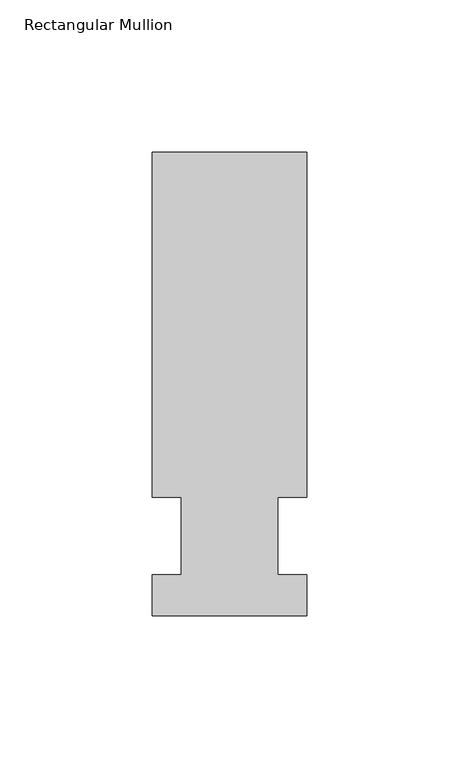
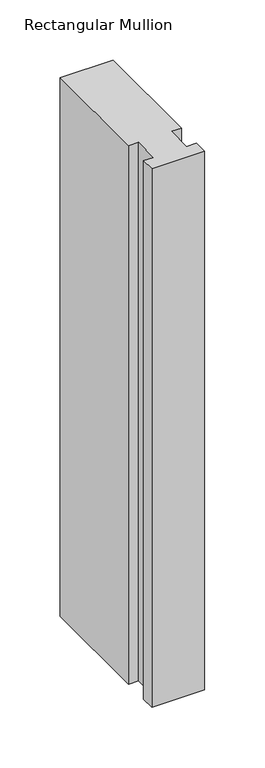
"""IFC4 building model written with IfcOpenShell, lengths in millimetres: member geometry, Rectangular Mullion."""

import ifcopenshell
import ifcopenshell.guid

model = None  # the IFC model being written
_history = None  # IfcOwnerHistory: only IFC2X3 demands one
_inside = {}  # id of a spatial element -> (the spatial element, [elements in it])
_under = {}  # id of a project, library or spatial element -> (it, [spatial elements below it])
_declared = {}  # id of a project -> (the project, [libraries it declares])
_typed = {}  # id of a type object -> (the type object, [elements of that type])
_made_of = {}  # id of a material, layer set ... -> (it, [elements and type objects made of it])


def new_model(schema):
    """Start an empty IFC model of exactly this schema.

    Asked for "IFC4X3", IfcOpenShell would pick the latest addendum, in which some entities
    have other attributes; the version numbers below select the first issue.
    IFC2X3 requires an IfcOwnerHistory on every rooted entity: one is made here for all.
    """
    global model, _history
    if schema == "IFC4X3":
        model = ifcopenshell.file(schema_version=(4, 3, 0, 0))
    else:
        model = ifcopenshell.file(schema=schema)
    _inside.clear()
    _under.clear()
    _declared.clear()
    _typed.clear()
    _made_of.clear()
    _history = None
    if model.schema == "IFC2X3":
        org = make("IfcOrganization", Name="unknown")
        user = make(
            "IfcPersonAndOrganization",
            ThePerson=make("IfcPerson", FamilyName="unknown"),
            TheOrganization=org,
        )
        app = make(
            "IfcApplication",
            ApplicationDeveloper=org,
            Version="unknown",
            ApplicationFullName="unknown",
            ApplicationIdentifier="unknown",
        )
        _history = make(
            "IfcOwnerHistory",
            OwningUser=user,
            OwningApplication=app,
            ChangeAction="ADDED",
            CreationDate=0,
        )
    return model


def make(cls, **values):
    """One entity of the class cls with the attributes given. An attribute that is None is left unset."""
    return model.create_entity(
        cls, **{name: value for name, value in values.items() if value is not None}
    )


def rooted(cls, **values):
    """An entity with a GlobalId (a new one), such as an element, a storey or a relation."""
    return make(cls, GlobalId=ifcopenshell.guid.new(), OwnerHistory=_history, **values)


def si_unit(unit_type, name, prefix=None):
    """IfcSIUnit, for example si_unit("LENGTHUNIT", "METRE", prefix="MILLI")."""
    return make("IfcSIUnit", UnitType=unit_type, Prefix=prefix, Name=name)


def assignment(units):
    """IfcUnitAssignment: the units of a project."""
    return None if units is None else make("IfcUnitAssignment", Units=units)


def point(xyz):
    """IfcCartesianPoint."""
    return None if xyz is None else make("IfcCartesianPoint", Coordinates=xyz)


def direction(xyz):
    """IfcDirection."""
    return None if xyz is None else make("IfcDirection", DirectionRatios=xyz)


def frame(location, z_axis=None, x_axis=None):
    """IfcAxis2Placement3D, a coordinate frame: its origin and axes. An axis left out is left unset."""
    return make(
        "IfcAxis2Placement3D",
        Location=point(location),
        Axis=direction(z_axis),
        RefDirection=direction(x_axis),
    )


def origin():
    """The frame at (0, 0, 0) with its axes left unset."""
    return frame((0.0, 0.0, 0.0))


def place(relative_to, where):
    """IfcLocalPlacement: puts the frame where relative to a parent placement (None: the world)."""
    return make(
        "IfcLocalPlacement", PlacementRelTo=relative_to, RelativePlacement=where
    )


def context(
    kind, dimensions, precision=None, world=None, true_north=None, identifier=None
):
    """IfcGeometricRepresentationContext, for example the 3D "Model" context."""
    return make(
        "IfcGeometricRepresentationContext",
        ContextIdentifier=identifier,
        ContextType=kind,
        CoordinateSpaceDimension=dimensions,
        Precision=precision,
        WorldCoordinateSystem=world,
        TrueNorth=true_north,
    )


def project(units=None, contexts=None):
    """IfcProject with its units and contexts."""
    return rooted(
        "IfcProject",
        Name="project",
        RepresentationContexts=contexts,
        UnitsInContext=assignment(units),
    )


def spatial(cls, under=None, at=None, **own):
    """A site, building, storey or space (cls), placed at a placement, below another one or the project."""
    s = rooted(cls, ObjectPlacement=at, **own)
    if under is not None:
        _under.setdefault(under.id(), (under, []))[1].append(s)
    return s


def polyline(points):
    """IfcPolyline through the points."""
    return make("IfcPolyline", Points=[point(p) for p in points])


def outline(outer, holes=None, kind="AREA"):
    """IfcArbitraryClosedProfileDef: a profile drawn as a closed curve; with holes, ...WithVoids."""
    if holes is None:
        return make("IfcArbitraryClosedProfileDef", ProfileType=kind, OuterCurve=outer)
    return make(
        "IfcArbitraryProfileDefWithVoids",
        ProfileType=kind,
        OuterCurve=outer,
        InnerCurves=holes,
    )


def extrude(swept, where, along, depth):
    """IfcExtrudedAreaSolid: the profile swept, set in the frame where, extruded along a direction by depth."""
    return make(
        "IfcExtrudedAreaSolid",
        SweptArea=swept,
        Position=where,
        ExtrudedDirection=direction(along),
        Depth=depth,
    )


def shape(context_of_items, identifier, shape_type, items):
    """IfcShapeRepresentation: the items that make up one representation, for example the "Body"."""
    return make(
        "IfcShapeRepresentation",
        ContextOfItems=context_of_items,
        RepresentationIdentifier=identifier,
        RepresentationType=shape_type,
        Items=items,
    )


def source(mapping_origin, context_of_items, identifier, shape_type, items):
    """IfcRepresentationMap: a shape defined once, which mapped items show again and again."""
    return make(
        "IfcRepresentationMap",
        MappingOrigin=mapping_origin,
        MappedRepresentation=shape(context_of_items, identifier, shape_type, items),
    )


def transform(
    local_origin,
    x_axis=None,
    y_axis=None,
    z_axis=None,
    scale=None,
    scale2=None,
    scale3=None,
    uniform=True,
):
    """IfcCartesianTransformationOperator3D, or its non-uniform kind. x_axis, y_axis, z_axis: its Axis1, 2, 3."""
    if uniform:
        return make(
            "IfcCartesianTransformationOperator3D",
            Axis1=direction(x_axis),
            Axis2=direction(y_axis),
            LocalOrigin=point(local_origin),
            Scale=scale,
            Axis3=direction(z_axis),
        )
    return make(
        "IfcCartesianTransformationOperator3DnonUniform",
        Axis1=direction(x_axis),
        Axis2=direction(y_axis),
        LocalOrigin=point(local_origin),
        Scale=scale,
        Axis3=direction(z_axis),
        Scale2=scale2,
        Scale3=scale3,
    )


def mapped(mapping_source, mapping_target):
    """IfcMappedItem: shows the shape of a source again, moved by a transform."""
    return make(
        "IfcMappedItem", MappingSource=mapping_source, MappingTarget=mapping_target
    )


def made_of(thing, what):
    """Note that an element or type object is made of a material, layer set ...; save() writes the relation."""
    if what is not None:
        _made_of.setdefault(what.id(), (what, []))[1].append(thing)
    return thing


def element(
    cls,
    number,
    at=None,
    inside=None,
    cuts=None,
    type_object=None,
    material=None,
    context=None,
    identifier="Body",
    shape_type=None,
    held_by="IfcProductDefinitionShape",
    body=None,
    shapes=None,
    **own,
):
    """One element of the class cls, such as IfcWall. Its Tag is "e" and its number.

    at: its placement. inside: the storey or other place that contains it. cuts: it is an
    opening in that element (IfcRelVoidsElement). A single representation is given by context,
    identifier, shape_type and body (its items); several are given by shapes. held_by: the class
    of the entity that holds the representations. save() writes the other relations.
    """
    e = rooted(cls, Tag="e%d" % number, ObjectPlacement=at, **own)
    if body is not None:
        shapes = [shape(context, identifier, shape_type, body)]
    if shapes is not None:
        e.Representation = make(held_by, Representations=shapes)
    if inside is not None:
        _inside.setdefault(inside.id(), (inside, []))[1].append(e)
    if cuts is not None:
        rooted(
            "IfcRelVoidsElement", RelatingBuildingElement=cuts, RelatedOpeningElement=e
        )
    if type_object is not None:
        _typed.setdefault(type_object.id(), (type_object, []))[1].append(e)
    return made_of(e, material)


def aggregate(whole, parts):
    """IfcRelAggregates: a whole, such as a stair, and the parts it consists of."""
    return rooted("IfcRelAggregates", RelatingObject=whole, RelatedObjects=parts)


def save(model, path):
    """Write the relations noted so far, then the file.

    IfcRelAggregates (storeys below a building ...), IfcRelContainedInSpatialStructure (elements
    in a storey), IfcRelDefinesByType, IfcRelAssociatesMaterial and IfcRelDeclares: one each for
    every whole, place, type object, material and project.
    """
    for whole, parts in _under.values():
        aggregate(whole, parts)
    for where, things in _inside.values():
        rooted(
            "IfcRelContainedInSpatialStructure",
            RelatedElements=things,
            RelatingStructure=where,
        )
    for kind, things in _typed.values():
        rooted("IfcRelDefinesByType", RelatedObjects=things, RelatingType=kind)
    for what, things in _made_of.values():
        rooted("IfcRelAssociatesMaterial", RelatedObjects=things, RelatingMaterial=what)
    for by, libraries in _declared.values():
        rooted("IfcRelDeclares", RelatingContext=by, RelatedDefinitions=libraries)
    model.write(path)


def rectangular_mullion_26dc9acc(model_context):
    return source(origin(), model_context, "Body", "SweptSolid", [
        extrude(outline(polyline([(-25.4, -26.19375), (-25.4, -12.7), (-15.875, -12.7), (-15.875, 12.7), (-25.4, 12.7), (-25.4, 126.20625), (25.4, 126.20625), (25.4, 12.7), (15.875, 12.7), (15.875, -12.7), (25.4, -12.7), (25.4, -26.19375), (-25.4, -26.19375)])), frame((0.0, 0.0, -546.1), z_axis=(0.0, 0.0, 1.0), x_axis=(1.0, 0.0, 0.0)), (0.0, 0.0, 1.0), 546.1),
    ])


if __name__ == "__main__":
    model = new_model("IFC4")
    model_context = context("Model", 3, world=origin())
    ifc_project = project(units=[si_unit("LENGTHUNIT", "METRE", prefix="MILLI")], contexts=[model_context])
    site = spatial("IfcSite", under=ifc_project)
    building = spatial("IfcBuilding", under=site)
    placement = place(None, origin())
    rectangular_mullion_shape = rectangular_mullion_26dc9acc(model_context)
    element("IfcMember", 1, ObjectType="Rectangular Mullion", at=placement, inside=building, context=model_context, shape_type="MappedRepresentation", body=[
        mapped(rectangular_mullion_shape, transform((0.0, 0.0, 0.0), x_axis=(1.0, 0.0, 0.0), y_axis=(0.0, 1.0, 0.0), z_axis=(0.0, 0.0, 1.0))),
    ])
    save(model, "model.ifc")
